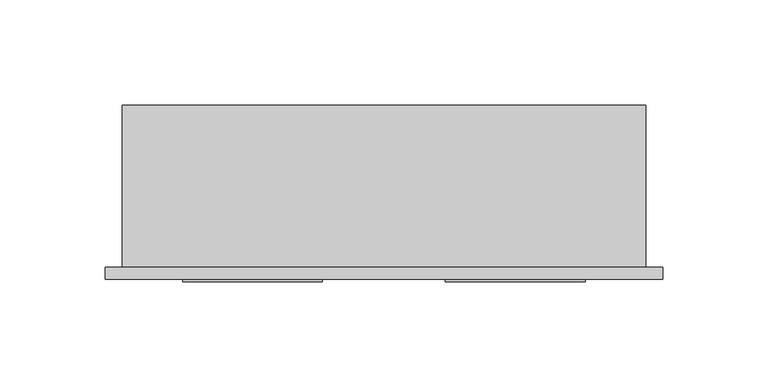
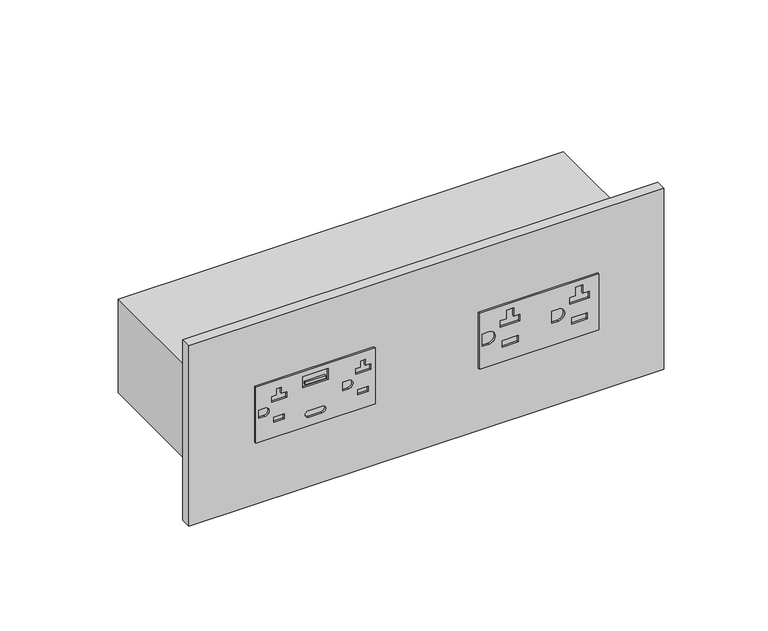
"""IFC4 building model written with IfcOpenShell, lengths in millimetres: proxy geometry."""

from ifc_helpers import new_model, si_unit, point, frame, frame_2d, origin, place, context, project, spatial, polyline, circle_curve, trimmed, segment, composite_curve, outline, extrude, source, transform, mapped, element, save


def electrical_fixtures_fca81bba(model_context):
    return source(origin(), model_context, "Body", "SweptSolid", [
        extrude(outline(polyline([(821.6131229, 28.6403983), (821.6131229, 95.1883983), (854.6077229, 95.1883983), (854.6077229, 28.6403983), (821.6131229, 28.6403983)]), holes=[polyline([(846.0827049, 40.1197211), (849.6102126, 40.1197211), (849.6102126, 42.8573384), (846.0827049, 42.8573384), (846.0827049, 45.7522735), (842.7521499, 45.7522735), (842.7521499, 37.4365232), (846.0827049, 37.4365232), (846.0827049, 40.1197211)]), composite_curve([segment(trimmed(circle_curve(frame_2d((838.1104229, 33.5112452)), 2.4638), [point((840.5742229, 33.5112452))], [point((835.6466229, 33.5112452))], True, "CARTESIAN"), True, "CONTINUOUS"), segment(polyline([(835.6466229, 33.5112452), (835.6466229, 30.1643983), (840.5742229, 30.1643983), (840.5742229, 33.5112452)]), True, "CONTINUOUS")], self_intersect=False), polyline([(833.2906533, 44.5059746), (830.3161837, 44.5059746), (830.3161837, 38.6828221), (833.2906533, 38.6828221), (833.2906533, 44.5059746)]), composite_curve([segment(trimmed(circle_curve(frame_2d((828.5727229, 65.6989983)), 1.905), [point((830.4777229, 65.6989983))], [point((826.6677229, 65.6989983))], True, "CARTESIAN"), True, "CONTINUOUS"), segment(polyline([(826.6677229, 65.6989983), (826.6677229, 58.1297983)]), True, "CONTINUOUS"), segment(trimmed(circle_curve(frame_2d((828.5727229, 58.1297983)), 1.905), [point((826.6677229, 58.1297983))], [point((830.4777229, 58.1297983))], True, "CARTESIAN"), True, "CONTINUOUS"), segment(polyline([(830.4777229, 58.1297983), (830.4777229, 65.6989983)]), True, "CONTINUOUS")], self_intersect=False), polyline([(851.6839163, 68.9581973), (845.1828612, 68.9581973), (845.1828612, 54.8644614), (851.6839163, 54.8644614), (851.6839163, 68.9581973)]), composite_curve([segment(trimmed(circle_curve(frame_2d((838.1104229, 80.4516358)), 2.4638), [point((840.5742229, 80.4516358))], [point((835.6466229, 80.4516358))], True, "CARTESIAN"), True, "CONTINUOUS"), segment(polyline([(835.6466229, 80.4516358), (835.6466229, 77.1543983), (840.5742229, 77.1543983), (840.5742229, 80.4516358)]), True, "CONTINUOUS")], self_intersect=False), polyline([(846.0795499, 87.1097211), (849.6102126, 87.1097211), (849.6102126, 89.8473384), (846.0795499, 89.8473384), (846.0795499, 92.7422735), (842.7521499, 92.7422735), (842.7521499, 84.4265232), (846.0795499, 84.4265232), (846.0795499, 87.1097211)]), polyline([(833.2717229, 91.4959746), (830.2973829, 91.4959746), (830.2973829, 85.6728221), (833.2717229, 85.6728221), (833.2717229, 91.4959746)])]), frame((0.0, -6.9294746, 0.0), z_axis=(0.0, 1.0, 0.0), x_axis=(0.0, 0.0, 1.0)), (0.0, 0.0, 1.0), 1.0366746),
        extrude(outline(polyline([(67.6331469, -6.9294746), (56.1895117, -6.9294746), (56.1895117, -5.8928), (67.6331469, -5.8928), (67.6331469, -6.9294746)])), frame((0.0, 0.0, 846.3926879), z_axis=(0.0, 0.0, 1.0), x_axis=(1.0, 0.0, 0.0)), (0.0, 0.0, 1.0), 1.5209293),
        extrude(outline(polyline([(854.6077229, 153.6177375), (821.6131229, 153.6177375), (821.6131229, 220.2976041), (854.6077229, 220.2976041), (854.6077229, 153.6177375)]), holes=[composite_curve([segment(trimmed(circle_curve(frame_2d((838.1104229, 158.7899344)), 3.6322), [point((841.7426229, 158.7899344))], [point((834.4782229, 158.7899344))], True, "CARTESIAN"), True, "CONTINUOUS"), segment(polyline([(834.4782229, 158.7899344), (834.4782229, 155.1577344), (841.7426229, 155.1577344), (841.7426229, 158.7899344)]), True, "CONTINUOUS")], self_intersect=False), polyline([(846.1104069, 168.8173032), (851.2064089, 168.8173032), (851.2064089, 172.6781032), (846.1104069, 172.6781032), (846.1104069, 176.1776924), (842.2804146, 176.1776924), (842.2804146, 165.3177141), (846.1104069, 165.3177141), (846.1104069, 168.8173032)]), composite_curve([segment(polyline([(834.4782229, 197.5249344), (834.4782229, 193.8927344), (841.7426229, 193.8927344), (841.7426229, 197.5249344)]), True, "CONTINUOUS"), segment(trimmed(circle_curve(frame_2d((838.1104229, 197.5249344)), 3.6322), [point((841.7426229, 197.5249344))], [point((834.4782229, 197.5249344))], True, "CARTESIAN"), True, "CONTINUOUS")], self_intersect=False), polyline([(846.1104069, 207.5572257), (851.2064089, 207.5572257), (851.2064089, 211.4180257), (846.1104069, 211.4180257), (846.1104069, 214.9176149), (842.2804146, 214.9176149), (842.2804146, 204.0576366), (846.1104069, 204.0576366), (846.1104069, 207.5572257)]), polyline([(833.9404313, 213.9176169), (830.1104389, 213.9176169), (830.1104389, 205.0576346), (833.9404313, 205.0576346), (833.9404313, 213.9176169)]), polyline([(833.9404313, 175.1776944), (830.1104389, 175.1776944), (830.1104389, 166.3177121), (833.9404313, 166.3177121), (833.9404313, 175.1776944)])]), frame((0.0, -6.9294746, 0.0), z_axis=(0.0, 1.0, 0.0), x_axis=(0.0, 0.0, 1.0)), (0.0, 0.0, 1.0), 1.0366746),
        extrude(outline(polyline([(-8.2450977, 0.0), (257.1652913, 0.0), (257.1652913, -5.8928), (-8.2450977, -5.8928), (-8.2450977, 0.0)])), frame((0.0, 0.0, 784.6718508), z_axis=(0.0, 0.0, 1.0), x_axis=(1.0, 0.0, 0.0)), (0.0, 0.0, 1.0), 106.8771443),
        extrude(outline(polyline([(248.92, 0.0), (0.0, 0.0), (0.0, 77.054), (248.92, 77.054), (248.92, 0.0)])), frame((0.0, 0.0, 810.3355229), z_axis=(0.0, 0.0, 1.0), x_axis=(1.0, 0.0, 0.0)), (0.0, 0.0, 1.0), 55.5498),
    ])


if __name__ == "__main__":
    model = new_model("IFC4")
    model_context = context("Model", 3, world=origin())
    ifc_project = project(units=[si_unit("LENGTHUNIT", "METRE", prefix="MILLI")], contexts=[model_context])
    site = spatial("IfcSite", under=ifc_project)
    building = spatial("IfcBuilding", under=site)
    placement = place(None, origin())
    electrical_fixtures_shape = electrical_fixtures_fca81bba(model_context)
    element("IfcBuildingElementProxy", 1, Name="Electrical Fixtures", at=placement, inside=building, context=model_context, shape_type="MappedRepresentation", body=[
        mapped(electrical_fixtures_shape, transform((0.0, 0.0, 0.0), x_axis=(1.0, 0.0, 0.0), y_axis=(0.0, 1.0, 0.0), z_axis=(0.0, 0.0, 1.0))),
    ])
    save(model, "model.ifc")
